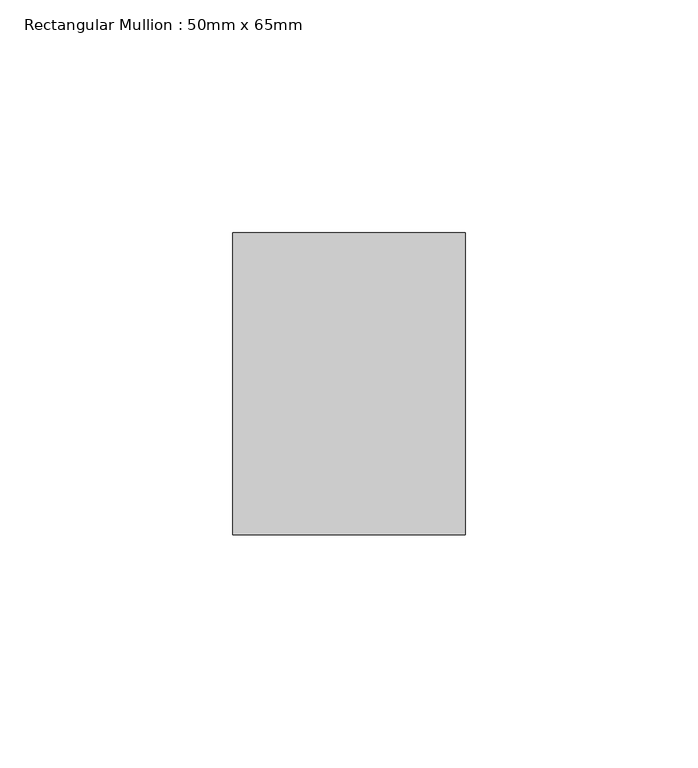
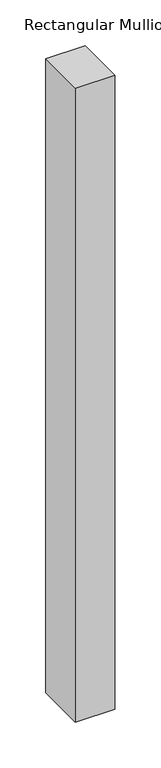
"""IFC4 building model written with IfcOpenShell, lengths in millimetres: member geometry, Rectangular Mullion : 50mm x 65mm."""

from ifc_helpers import new_model, si_unit, frame, origin, place, context, project, spatial, polyline, outline, extrude, source, transform, mapped, element, save


def rectangular_mullion_50mm_x_65mm_72dfa1ed(model_context):
    return source(origin(), model_context, "Body", "SweptSolid", [
        extrude(outline(polyline([(25.0, 32.5), (25.0, -32.5), (-25.0, -32.5), (-25.0, 32.5), (25.0, 32.5)])), frame((0.0, 0.0, -846.7249404), z_axis=(0.0, 0.0, 1.0), x_axis=(1.0, 0.0, 0.0)), (0.0, 0.0, 1.0), 846.7249404),
    ])


if __name__ == "__main__":
    model = new_model("IFC4")
    model_context = context("Model", 3, world=origin())
    ifc_project = project(units=[si_unit("LENGTHUNIT", "METRE", prefix="MILLI")], contexts=[model_context])
    site = spatial("IfcSite", under=ifc_project)
    building = spatial("IfcBuilding", under=site)
    placement = place(None, origin())
    rectangular_mullion_50mm_x_65mm_shape = rectangular_mullion_50mm_x_65mm_72dfa1ed(model_context)
    element("IfcMember", 1, ObjectType="Rectangular Mullion : 50mm x 65mm", at=placement, inside=building, context=model_context, shape_type="MappedRepresentation", body=[
        mapped(rectangular_mullion_50mm_x_65mm_shape, transform((0.0, 0.0, 0.0), x_axis=(1.0, 0.0, 0.0), y_axis=(0.0, 1.0, 0.0), z_axis=(0.0, 0.0, 1.0))),
    ])
    save(model, "model.ifc")
